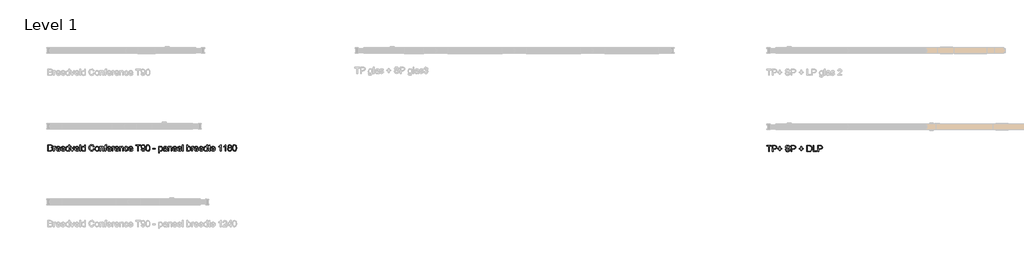
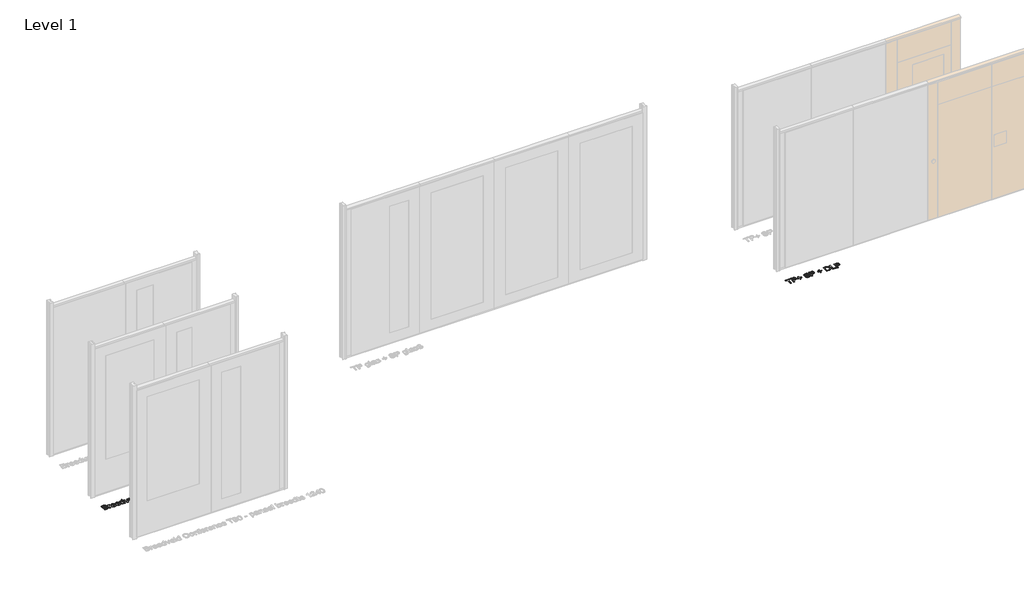
# One storey, part 3 of 17: 2 proxies.
"""IFC4 building model written with IfcOpenShell, lengths in millimetres."""

from ifc_helpers import new_model, si_unit, origin, origin_with_axes, place, context, project, spatial, polyline, outline, extrude, element, save

model = new_model("IFC4")

# Units and contexts
model_context = context("Model", 3, world=origin())
ifc_project = project(units=[si_unit("LENGTHUNIT", "METRE", prefix="MILLI")], contexts=[model_context])

# Site, building, storey
site = spatial("IfcSite", under=ifc_project)
building = spatial("IfcBuilding", under=site)
storey = spatial("IfcBuildingStorey", under=building, Name="Level 1", Elevation=0.0)

# Proxies
placement = place(None, origin())
element("IfcBuildingElementProxy", 1, Name="100 mm", ObjectType="100 mm", at=placement, inside=storey, context=model_context, shape_type="SweptSolid", body=[
    extrude(outline(polyline([(-17380.3580543, -707.0581918), (-17380.3580543, -608.5966533), (-17342.7859389, -608.5966533), (-17324.3844966, -611.4932879), (-17313.519112, -620.3995379), (-17309.5888235, -632.9956918), (-17312.894112, -644.4980956), (-17322.8820927, -653.2120379), (-17310.7546889, -662.3947302), (-17306.5119004, -677.7072302), (-17309.4085351, -690.9404033), (-17316.5840158, -700.3634802), (-17327.2931504, -705.3634802), (-17343.0744004, -707.0581918), (-17380.3580543, -707.0581918)]), holes=[polyline([(-17368.050362, -694.7504995), (-17342.8099774, -694.7504995), (-17333.675362, -694.2697302), (-17325.9469966, -691.5894418), (-17320.8268043, -686.1206918), (-17318.8195927, -677.8274225), (-17321.175362, -668.2601148), (-17328.8075735, -662.5509802), (-17344.0119004, -660.9043456), (-17368.050362, -660.9043456), (-17368.050362, -694.7504995)]), polyline([(-17368.050362, -648.5966533), (-17345.5744004, -648.5966533), (-17332.4494004, -647.538961), (-17324.5527658, -642.9836725), (-17321.8965158, -634.9668456), (-17324.3724774, -626.9379995), (-17331.4638235, -622.1904033), (-17347.2811312, -620.9043456), (-17368.050362, -620.9043456), (-17368.050362, -648.5966533)])]), origin_with_axes(), (0.0, 0.0, 1.0), 5.0),
    extrude(outline(polyline([(-17291.1272851, -707.0581918), (-17291.1272851, -634.7504995), (-17280.3580543, -634.7504995), (-17280.3580543, -645.4476148), (-17272.7138235, -635.5918456), (-17265.0215158, -633.2120379), (-17252.6657466, -637.0101148), (-17256.7763235, -648.0437687), (-17265.4301697, -645.5197302), (-17272.3893043, -647.9476148), (-17276.8244004, -654.6783841), (-17278.8195927, -669.0533841), (-17278.8195927, -707.0581918), (-17291.1272851, -707.0581918)])), origin_with_axes(), (0.0, 0.0, 1.0), 5.0),
    extrude(outline(polyline([(-17194.3484389, -685.5197302), (-17182.2811312, -687.0581918), (-17186.6290879, -696.1507398), (-17193.5671889, -702.9476148), (-17202.9391841, -707.1843937), (-17214.5888235, -708.5966533), (-17229.0299293, -706.1597543), (-17240.1417081, -698.8490571), (-17247.2270447, -687.1393216), (-17249.5888235, -671.5053071), (-17247.2030062, -655.3454514), (-17240.0455543, -643.2601148), (-17229.0840158, -635.7240571), (-17215.2859389, -633.2120379), (-17201.9175495, -635.7180475), (-17191.2354581, -643.2360764), (-17184.2312514, -655.2973745), (-17181.8965158, -671.4331918), (-17181.9686312, -674.7504995), (-17237.2811312, -674.7504995), (-17235.1507226, -683.9632398), (-17230.2018043, -690.7360764), (-17214.3484389, -696.288961), (-17202.2811312, -693.7168456), (-17194.3484389, -685.5197302)]), holes=[polyline([(-17237.2811312, -662.4428071), (-17194.2042081, -662.4428071), (-17199.1320927, -651.288961), (-17206.3075735, -646.9620379), (-17215.3340158, -645.5197302), (-17230.4902658, -650.1230956), (-17237.2811312, -662.4428071)])]), origin_with_axes(), (0.0, 0.0, 1.0), 5.0),
    extrude(outline(polyline([(-17118.9638235, -685.5197302), (-17106.8965158, -687.0581918), (-17111.2444726, -696.1507398), (-17118.1825735, -702.9476148), (-17127.5545687, -707.1843937), (-17139.2042081, -708.5966533), (-17153.6453139, -706.1597543), (-17164.7570927, -698.8490571), (-17171.8424293, -687.1393216), (-17174.2042081, -671.5053071), (-17171.8183908, -655.3454514), (-17164.6609389, -643.2601148), (-17153.6994004, -635.7240571), (-17139.9013235, -633.2120379), (-17126.5329341, -635.7180475), (-17115.8508427, -643.2360764), (-17108.846636, -655.2973745), (-17106.5119004, -671.4331918), (-17106.5840158, -674.7504995), (-17161.8965158, -674.7504995), (-17159.7661072, -683.9632398), (-17154.8171889, -690.7360764), (-17138.9638235, -696.288961), (-17126.8965158, -693.7168456), (-17118.9638235, -685.5197302)]), holes=[polyline([(-17161.8965158, -662.4428071), (-17118.8195927, -662.4428071), (-17123.7474774, -651.288961), (-17130.9229581, -646.9620379), (-17139.9494004, -645.5197302), (-17155.1056504, -650.1230956), (-17161.8965158, -662.4428071)])]), origin_with_axes(), (0.0, 0.0, 1.0), 5.0),
    extrude(outline(polyline([(-17049.5888235, -707.0581918), (-17049.5888235, -695.4476148), (-17057.7318524, -705.3093937), (-17068.987862, -708.5966533), (-17084.2282466, -703.8370379), (-17094.9974774, -690.5557879), (-17098.8195927, -670.976461), (-17095.2979581, -651.3851148), (-17084.7450735, -637.8995379), (-17069.0359389, -633.2120379), (-17057.6897851, -636.5654033), (-17049.5888235, -645.2793456), (-17049.5888235, -608.5966533), (-17037.2811312, -608.5966533), (-17037.2811312, -707.0581918), (-17049.5888235, -707.0581918)]), holes=[polyline([(-17086.5119004, -670.9283841), (-17085.1236793, -682.0611966), (-17080.9590158, -689.9788648), (-17074.9073331, -694.711437), (-17067.8580543, -696.288961), (-17060.8117802, -694.7835523), (-17054.9133427, -690.2673264), (-17050.9199533, -682.6561485), (-17049.5888235, -671.8658841), (-17050.9439918, -660.0690091), (-17055.0094966, -651.8899225), (-17061.0581745, -647.1122783), (-17068.362862, -645.5197302), (-17075.4842562, -647.0491773), (-17081.3195927, -651.6375187), (-17085.2138235, -659.5191293), (-17086.5119004, -670.9283841)])]), origin_with_axes(), (0.0, 0.0, 1.0), 5.0),
    extrude(outline(polyline([(-17001.0792081, -707.0581918), (-17026.5119004, -634.7504995), (-17013.4830543, -634.7504995), (-16998.0744004, -678.0678071), (-16993.4349774, -692.6351148), (-16988.8917081, -678.8851148), (-16973.3869004, -634.7504995), (-16960.3580543, -634.7504995), (-16985.4782466, -707.0581918), (-17001.0792081, -707.0581918)])), origin_with_axes(), (0.0, 0.0, 1.0), 5.0),
    extrude(outline(polyline([(-16898.9638235, -685.5197302), (-16886.8965158, -687.0581918), (-16891.2444726, -696.1507398), (-16898.1825735, -702.9476148), (-16907.5545687, -707.1843937), (-16919.2042081, -708.5966533), (-16933.6453139, -706.1597543), (-16944.7570927, -698.8490571), (-16951.8424293, -687.1393216), (-16954.2042081, -671.5053071), (-16951.8183908, -655.3454514), (-16944.6609389, -643.2601148), (-16933.6994004, -635.7240571), (-16919.9013235, -633.2120379), (-16906.5329341, -635.7180475), (-16895.8508427, -643.2360764), (-16888.846636, -655.2973745), (-16886.5119004, -671.4331918), (-16886.5840158, -674.7504995), (-16941.8965158, -674.7504995), (-16939.7661072, -683.9632398), (-16934.8171889, -690.7360764), (-16918.9638235, -696.288961), (-16906.8965158, -693.7168456), (-16898.9638235, -685.5197302)]), holes=[polyline([(-16941.8965158, -662.4428071), (-16898.8195927, -662.4428071), (-16903.7474774, -651.288961), (-16910.9229581, -646.9620379), (-16919.9494004, -645.5197302), (-16935.1056504, -650.1230956), (-16941.8965158, -662.4428071)])]), origin_with_axes(), (0.0, 0.0, 1.0), 5.0),
    extrude(outline(polyline([(-16874.2042081, -707.0581918), (-16874.2042081, -608.5966533), (-16861.8965158, -608.5966533), (-16861.8965158, -707.0581918), (-16874.2042081, -707.0581918)])), origin_with_axes(), (0.0, 0.0, 1.0), 5.0),
    extrude(outline(polyline([(-16798.8195927, -707.0581918), (-16798.8195927, -695.4476148), (-16806.9626216, -705.3093937), (-16818.2186312, -708.5966533), (-16833.4590158, -703.8370379), (-16844.2282466, -690.5557879), (-16848.050362, -670.976461), (-16844.5287274, -651.3851148), (-16833.9758427, -637.8995379), (-16818.2667081, -633.2120379), (-16806.9205543, -636.5654033), (-16798.8195927, -645.2793456), (-16798.8195927, -608.5966533), (-16786.5119004, -608.5966533), (-16786.5119004, -707.0581918), (-16798.8195927, -707.0581918)]), holes=[polyline([(-16835.7426697, -670.9283841), (-16834.3544485, -682.0611966), (-16830.1897851, -689.9788648), (-16824.1381024, -694.711437), (-16817.0888235, -696.288961), (-16810.0425495, -694.7835523), (-16804.144112, -690.2673264), (-16800.1507226, -682.6561485), (-16798.8195927, -671.8658841), (-16800.174761, -660.0690091), (-16804.2402658, -651.8899225), (-16810.2889437, -647.1122783), (-16817.5936312, -645.5197302), (-16824.7150254, -647.0491773), (-16830.550362, -651.6375187), (-16834.4445927, -659.5191293), (-16835.7426697, -670.9283841)])]), origin_with_axes(), (0.0, 0.0, 1.0), 5.0),
    extrude(outline(polyline([(-16658.8195927, -672.0581918), (-16646.5119004, -675.2312687), (-16652.190987, -689.5732158), (-16661.1032466, -700.0509802), (-16672.8099774, -706.460235), (-16686.8724774, -708.5966533), (-16701.1483187, -706.9800668), (-16712.4854581, -702.1303071), (-16721.175362, -694.2156437), (-16727.5094966, -683.4043456), (-16732.6657466, -657.0822302), (-16731.2084149, -642.7252591), (-16726.8364197, -630.3274225), (-16719.7781264, -620.2823504), (-16710.2619004, -612.9836725), (-16686.6080543, -607.0581918), (-16673.1134629, -608.9752591), (-16661.956612, -614.726461), (-16653.4860591, -623.9572302), (-16648.050362, -636.3129995), (-16660.3580543, -639.2456918), (-16670.4542081, -624.1134802), (-16687.0888235, -619.3658841), (-16706.3436312, -624.6303071), (-16717.2210351, -638.7649225), (-16720.3580543, -657.0581918), (-16716.644112, -678.2601148), (-16705.081612, -691.8057879), (-16688.0984389, -696.288961), (-16677.8250014, -694.7625187), (-16669.2643043, -690.1831918), (-16662.8009629, -682.5990571), (-16658.8195927, -672.0581918)])), origin_with_axes(), (0.0, 0.0, 1.0), 5.0),
    extrude(outline(polyline([(-16634.2042081, -670.9043456), (-16631.5419485, -653.4704514), (-16623.5551697, -641.2168456), (-16613.6873812, -635.2132398), (-16601.8724774, -633.2120379), (-16588.9427899, -635.648937), (-16578.6152658, -642.9596341), (-16571.8454341, -654.5672062), (-16569.5888235, -669.8947302), (-16573.5792081, -691.7937687), (-16585.2018043, -704.1855956), (-16601.8724774, -708.5966533), (-16614.9584149, -706.1687687), (-16625.2739197, -698.8851148), (-16631.971636, -687.0341533), (-16634.2042081, -670.9043456)]), holes=[polyline([(-16621.8965158, -670.8803071), (-16620.472237, -682.0191293), (-16616.1994004, -689.9548264), (-16609.769112, -694.7054273), (-16601.8724774, -696.288961), (-16594.0119004, -694.6964129), (-16587.5936312, -689.9187687), (-16583.3207947, -681.8779033), (-16581.8965158, -670.4956918), (-16583.3298091, -659.6813889), (-16587.6296889, -651.8538648), (-16594.0569726, -647.1032639), (-16601.8724774, -645.5197302), (-16609.769112, -647.0972543), (-16616.1994004, -651.8298264), (-16620.472237, -659.7474946), (-16621.8965158, -670.8803071)])]), origin_with_axes(), (0.0, 0.0, 1.0), 5.0),
    extrude(outline(polyline([(-16555.7426697, -707.0581918), (-16555.7426697, -634.7504995), (-16543.4349774, -634.7504995), (-16543.4349774, -644.8466533), (-16534.0239197, -636.1206918), (-16521.175362, -633.2120379), (-16509.5527658, -635.5557879), (-16501.6200735, -641.7096341), (-16497.9301697, -650.7601148), (-16497.2811312, -662.6591533), (-16497.2811312, -707.0581918), (-16509.5888235, -707.0581918), (-16509.5888235, -664.3178071), (-16511.0070927, -653.4283841), (-16516.019112, -647.6711725), (-16524.4686312, -645.5197302), (-16537.8219966, -650.351461), (-16542.0317322, -657.3526629), (-16543.4349774, -668.6928071), (-16543.4349774, -707.0581918), (-16555.7426697, -707.0581918)])), origin_with_axes(), (0.0, 0.0, 1.0), 5.0),
    extrude(outline(polyline([(-16477.2811312, -707.0581918), (-16477.2811312, -647.0581918), (-16488.050362, -647.0581918), (-16488.050362, -634.7504995), (-16477.2811312, -634.7504995), (-16477.2811312, -627.4668456), (-16475.9830543, -617.2024225), (-16469.6849774, -609.8706918), (-16457.2811312, -607.0581918), (-16446.0551697, -608.4043456), (-16447.8580543, -619.9428071), (-16454.9494004, -619.3658841), (-16462.7018043, -621.4091533), (-16464.9734389, -629.0293456), (-16464.9734389, -634.7504995), (-16451.1272851, -634.7504995), (-16451.1272851, -647.0581918), (-16464.9734389, -647.0581918), (-16464.9734389, -707.0581918), (-16477.2811312, -707.0581918)])), origin_with_axes(), (0.0, 0.0, 1.0), 5.0),
    extrude(outline(polyline([(-16389.7330543, -685.5197302), (-16377.6657466, -687.0581918), (-16382.0137033, -696.1507398), (-16388.9518043, -702.9476148), (-16398.3237995, -707.1843937), (-16409.9734389, -708.5966533), (-16424.4145447, -706.1597543), (-16435.5263235, -698.8490571), (-16442.6116601, -687.1393216), (-16444.9734389, -671.5053071), (-16442.5876216, -655.3454514), (-16435.4301697, -643.2601148), (-16424.4686312, -635.7240571), (-16410.6705543, -633.2120379), (-16397.3021649, -635.7180475), (-16386.6200735, -643.2360764), (-16379.6158668, -655.2973745), (-16377.2811312, -671.4331918), (-16377.3532466, -674.7504995), (-16432.6657466, -674.7504995), (-16430.5353379, -683.9632398), (-16425.5864197, -690.7360764), (-16409.7330543, -696.288961), (-16397.6657466, -693.7168456), (-16389.7330543, -685.5197302)]), holes=[polyline([(-16432.6657466, -662.4428071), (-16389.5888235, -662.4428071), (-16394.5167081, -651.288961), (-16401.6921889, -646.9620379), (-16410.7186312, -645.5197302), (-16425.8748812, -650.1230956), (-16432.6657466, -662.4428071)])]), origin_with_axes(), (0.0, 0.0, 1.0), 5.0),
    extrude(outline(polyline([(-16364.9734389, -707.0581918), (-16364.9734389, -634.7504995), (-16354.2042081, -634.7504995), (-16354.2042081, -645.4476148), (-16346.5599774, -635.5918456), (-16338.8676697, -633.2120379), (-16326.5119004, -637.0101148), (-16330.6224774, -648.0437687), (-16339.2763235, -645.5197302), (-16346.2354581, -647.9476148), (-16350.6705543, -654.6783841), (-16352.6657466, -669.0533841), (-16352.6657466, -707.0581918), (-16364.9734389, -707.0581918)])), origin_with_axes(), (0.0, 0.0, 1.0), 5.0),
    extrude(outline(polyline([(-16268.1945927, -685.5197302), (-16256.1272851, -687.0581918), (-16260.4752418, -696.1507398), (-16267.4133427, -702.9476148), (-16276.7853379, -707.1843937), (-16288.4349774, -708.5966533), (-16302.8760831, -706.1597543), (-16313.987862, -698.8490571), (-16321.0731985, -687.1393216), (-16323.4349774, -671.5053071), (-16321.0491601, -655.3454514), (-16313.8917081, -643.2601148), (-16302.9301697, -635.7240571), (-16289.1320927, -633.2120379), (-16275.7637033, -635.7180475), (-16265.081612, -643.2360764), (-16258.0774052, -655.2973745), (-16255.7426697, -671.4331918), (-16255.8147851, -674.7504995), (-16311.1272851, -674.7504995), (-16308.9968764, -683.9632398), (-16304.0479581, -690.7360764), (-16288.1945927, -696.288961), (-16276.1272851, -693.7168456), (-16268.1945927, -685.5197302)]), holes=[polyline([(-16311.1272851, -662.4428071), (-16268.050362, -662.4428071), (-16272.9782466, -651.288961), (-16280.1537274, -646.9620379), (-16289.1801697, -645.5197302), (-16304.3364197, -650.1230956), (-16311.1272851, -662.4428071)])]), origin_with_axes(), (0.0, 0.0, 1.0), 5.0),
    extrude(outline(polyline([(-16243.4349774, -707.0581918), (-16243.4349774, -634.7504995), (-16231.1272851, -634.7504995), (-16231.1272851, -644.8466533), (-16221.7162274, -636.1206918), (-16208.8676697, -633.2120379), (-16197.2450735, -635.5557879), (-16189.3123812, -641.7096341), (-16185.6224774, -650.7601148), (-16184.9734389, -662.6591533), (-16184.9734389, -707.0581918), (-16197.2811312, -707.0581918), (-16197.2811312, -664.3178071), (-16198.6994004, -653.4283841), (-16203.7114197, -647.6711725), (-16212.1609389, -645.5197302), (-16225.5143043, -650.351461), (-16229.7240399, -657.3526629), (-16231.1272851, -668.6928071), (-16231.1272851, -707.0581918), (-16243.4349774, -707.0581918)])), origin_with_axes(), (0.0, 0.0, 1.0), 5.0),
    extrude(outline(polyline([(-16121.8965158, -680.9043456), (-16109.5888235, -682.4428071), (-16113.0203139, -693.3893216), (-16119.4686312, -701.6615571), (-16128.3268043, -706.8628793), (-16138.987862, -708.5966533), (-16152.0798091, -706.1777831), (-16162.3171889, -698.9211725), (-16168.924761, -687.1453312), (-16171.1272851, -671.1687687), (-16167.3652658, -650.7240571), (-16155.8989197, -637.5870379), (-16139.1561312, -633.2120379), (-16128.7564918, -634.7144418), (-16120.4421889, -639.2216533), (-16114.4776456, -646.4932879), (-16111.1272851, -656.288961), (-16123.4349774, -657.8274225), (-16129.144112, -648.6086725), (-16139.0599774, -645.5197302), (-16147.0137033, -647.0401629), (-16153.3268043, -651.601461), (-16157.4463956, -659.4500187), (-16158.8195927, -670.8322302), (-16157.4764437, -682.367687), (-16153.4469966, -690.2432879), (-16147.2480783, -694.7775427), (-16139.3965158, -696.288961), (-16127.7979581, -692.5149225), (-16121.8965158, -680.9043456)])), origin_with_axes(), (0.0, 0.0, 1.0), 5.0),
    extrude(outline(polyline([(-16048.1945927, -685.5197302), (-16036.1272851, -687.0581918), (-16040.4752418, -696.1507398), (-16047.4133427, -702.9476148), (-16056.7853379, -707.1843937), (-16068.4349774, -708.5966533), (-16082.8760831, -706.1597543), (-16093.987862, -698.8490571), (-16101.0731985, -687.1393216), (-16103.4349774, -671.5053071), (-16101.0491601, -655.3454514), (-16093.8917081, -643.2601148), (-16082.9301697, -635.7240571), (-16069.1320927, -633.2120379), (-16055.7637033, -635.7180475), (-16045.081612, -643.2360764), (-16038.0774052, -655.2973745), (-16035.7426697, -671.4331918), (-16035.8147851, -674.7504995), (-16091.1272851, -674.7504995), (-16088.9968764, -683.9632398), (-16084.0479581, -690.7360764), (-16068.1945927, -696.288961), (-16056.1272851, -693.7168456), (-16048.1945927, -685.5197302)]), holes=[polyline([(-16091.1272851, -662.4428071), (-16048.050362, -662.4428071), (-16052.9782466, -651.288961), (-16060.1537274, -646.9620379), (-16069.1801697, -645.5197302), (-16084.3364197, -650.1230956), (-16091.1272851, -662.4428071)])]), origin_with_axes(), (0.0, 0.0, 1.0), 5.0),
    extrude(outline(polyline([(-15958.8195927, -707.0581918), (-15958.8195927, -620.9043456), (-15991.1272851, -620.9043456), (-15991.1272851, -608.5966533), (-15914.2042081, -608.5966533), (-15914.2042081, -620.9043456), (-15946.5119004, -620.9043456), (-15946.5119004, -707.0581918), (-15958.8195927, -707.0581918)])), origin_with_axes(), (0.0, 0.0, 1.0), 5.0),
    extrude(outline(polyline([(-15903.4349774, -682.4428071), (-15891.1272851, -680.9043456), (-15885.5984389, -692.6471341), (-15875.1176697, -696.288961), (-15865.1537274, -693.945211), (-15858.3989197, -687.6831918), (-15854.3724774, -676.9860764), (-15852.5936312, -662.7072302), (-15852.6657466, -660.3033841), (-15862.5094966, -669.6303071), (-15876.0070927, -673.2120379), (-15887.2300495, -671.0245379), (-15896.5719966, -664.4620379), (-15902.8730783, -654.3238168), (-15904.9734389, -641.4091533), (-15902.7709149, -628.0678071), (-15896.1633427, -617.6110764), (-15886.2384629, -610.8502591), (-15874.0840158, -608.5966533), (-15856.5479581, -613.7408841), (-15844.4806504, -628.4043456), (-15840.3580543, -655.9524225), (-15844.4686312, -685.8442495), (-15856.6921889, -702.7793456), (-15865.4992802, -707.1423264), (-15875.6945927, -708.5966533), (-15886.2174293, -706.8809081), (-15894.612862, -701.7336725), (-15900.4842562, -693.4794658), (-15903.4349774, -682.4428071)]), holes=[polyline([(-15852.6657466, -641.1206918), (-15857.9782466, -626.3610764), (-15872.0888235, -620.9043456), (-15880.3099774, -622.3736966), (-15886.8965158, -626.7817495), (-15891.2234389, -633.5275427), (-15892.6657466, -642.0101148), (-15887.2090158, -655.6519418), (-15872.425362, -660.9043456), (-15858.2306504, -655.6519418), (-15854.0569726, -649.3929273), (-15852.6657466, -641.1206918)])]), origin_with_axes(), (0.0, 0.0, 1.0), 5.0),
    extrude(outline(polyline([(-15829.5888235, -658.6206918), (-15825.9710351, -630.2913648), (-15815.2258427, -613.9572302), (-15797.2811312, -608.5966533), (-15782.9061312, -611.7697302), (-15772.9782466, -620.9163648), (-15767.2090158, -635.4836725), (-15764.9734389, -658.6206918), (-15768.5551697, -686.8298264), (-15779.2643043, -703.2000187), (-15797.2811312, -708.5966533), (-15810.0695927, -706.2529033), (-15819.7811312, -699.2216533), (-15827.1369004, -682.5690091), (-15829.5888235, -658.6206918)]), holes=[polyline([(-15817.2811312, -658.5966533), (-15815.8388235, -677.9566293), (-15811.5119004, -689.1615571), (-15805.0695927, -694.50711), (-15797.2811312, -696.288961), (-15789.4926697, -694.5011004), (-15783.050362, -689.1375187), (-15778.7234389, -677.9265812), (-15777.2811312, -658.5966533), (-15778.675362, -639.6723745), (-15782.8580543, -628.3803071), (-15789.2883427, -622.773336), (-15797.425362, -620.9043456), (-15805.1296889, -622.5509802), (-15811.3195927, -627.4908841), (-15815.7907466, -639.4860764), (-15817.2811312, -658.5966533)])]), origin_with_axes(), (0.0, 0.0, 1.0), 5.0),
    extrude(outline(polyline([(-15718.8195927, -677.8274225), (-15718.8195927, -665.5197302), (-15680.3580543, -665.5197302), (-15680.3580543, -677.8274225), (-15718.8195927, -677.8274225)])), origin_with_axes(), (0.0, 0.0, 1.0), 5.0),
    extrude(outline(polyline([(-15628.050362, -734.7504995), (-15628.050362, -634.7504995), (-15615.7426697, -634.7504995), (-15615.7426697, -646.8178071), (-15607.2330543, -636.6134802), (-15595.7426697, -633.2120379), (-15580.1417081, -637.9716533), (-15569.9494004, -651.3851148), (-15566.5119004, -670.351461), (-15570.394112, -690.2913648), (-15581.6681504, -703.8730956), (-15597.2330543, -708.5966533), (-15607.9421889, -705.4355956), (-15615.7426697, -697.4428071), (-15615.7426697, -734.7504995), (-15628.050362, -734.7504995)]), holes=[polyline([(-15615.7426697, -671.4812687), (-15614.4115399, -682.5149225), (-15610.4181504, -690.2312687), (-15604.5257226, -694.7745379), (-15597.4974774, -696.288961), (-15590.3550495, -694.7204514), (-15584.3123812, -690.0149225), (-15580.1927899, -682.0161245), (-15578.8195927, -670.5678071), (-15580.159737, -659.5942495), (-15584.1801697, -651.7697302), (-15590.0635831, -647.0822302), (-15596.9926697, -645.5197302), (-15603.9487995, -647.1813889), (-15610.0575735, -652.1663648), (-15614.3213956, -660.3184081), (-15615.7426697, -671.4812687)])]), origin_with_axes(), (0.0, 0.0, 1.0), 5.0),
    extrude(outline(polyline([(-15506.5119004, -697.8274225), (-15518.4469966, -706.1687687), (-15531.6320927, -708.5966533), (-15541.9175495, -707.1363168), (-15549.5046889, -702.7553071), (-15554.1831745, -696.1026629), (-15555.7426697, -687.8274225), (-15553.3869004, -678.0918456), (-15547.1969966, -671.0245379), (-15538.5792081, -666.9860764), (-15527.9301697, -665.1351148), (-15506.5840158, -660.9043456), (-15506.5119004, -658.163961), (-15509.9013235, -649.0774225), (-15523.5070927, -645.5197302), (-15535.9590158, -647.8875187), (-15541.8965158, -656.288961), (-15554.2042081, -654.7504995), (-15548.8796889, -642.7312687), (-15538.1585351, -635.6879995), (-15521.9205543, -633.2120379), (-15507.0046889, -635.3995379), (-15498.5792081, -640.8923264), (-15494.8051697, -649.2456918), (-15494.2042081, -660.0149225), (-15494.2042081, -675.3274225), (-15493.5792081, -696.7096341), (-15491.1272851, -707.0581918), (-15503.4349774, -707.0581918), (-15506.5119004, -697.8274225)]), holes=[polyline([(-15506.5119004, -673.2120379), (-15526.3676697, -676.9860764), (-15536.956612, -678.9812687), (-15541.7522851, -682.226461), (-15543.4349774, -686.9620379), (-15539.769112, -693.6206918), (-15529.0119004, -696.288961), (-15516.5599774, -693.3442495), (-15508.5311312, -686.2168456), (-15506.5840158, -676.6976148), (-15506.5119004, -673.2120379)])]), origin_with_axes(), (0.0, 0.0, 1.0), 5.0),
    extrude(outline(polyline([(-15477.2811312, -707.0581918), (-15477.2811312, -634.7504995), (-15464.9734389, -634.7504995), (-15464.9734389, -644.8466533), (-15455.5623812, -636.1206918), (-15442.7138235, -633.2120379), (-15431.0912274, -635.5557879), (-15423.1585351, -641.7096341), (-15419.4686312, -650.7601148), (-15418.8195927, -662.6591533), (-15418.8195927, -707.0581918), (-15431.1272851, -707.0581918), (-15431.1272851, -664.3178071), (-15432.5455543, -653.4283841), (-15437.5575735, -647.6711725), (-15446.0070927, -645.5197302), (-15459.3604581, -650.351461), (-15463.5701937, -657.3526629), (-15464.9734389, -668.6928071), (-15464.9734389, -707.0581918), (-15477.2811312, -707.0581918)])), origin_with_axes(), (0.0, 0.0, 1.0), 5.0),
    extrude(outline(polyline([(-15351.2715158, -685.5197302), (-15339.2042081, -687.0581918), (-15343.5521649, -696.1507398), (-15350.4902658, -702.9476148), (-15359.862261, -707.1843937), (-15371.5119004, -708.5966533), (-15385.9530062, -706.1597543), (-15397.0647851, -698.8490571), (-15404.1501216, -687.1393216), (-15406.5119004, -671.5053071), (-15404.1260831, -655.3454514), (-15396.9686312, -643.2601148), (-15386.0070927, -635.7240571), (-15372.2090158, -633.2120379), (-15358.8406264, -635.7180475), (-15348.1585351, -643.2360764), (-15341.1543283, -655.2973745), (-15338.8195927, -671.4331918), (-15338.8917081, -674.7504995), (-15394.2042081, -674.7504995), (-15392.0737995, -683.9632398), (-15387.1248812, -690.7360764), (-15371.2715158, -696.288961), (-15359.2042081, -693.7168456), (-15351.2715158, -685.5197302)]), holes=[polyline([(-15394.2042081, -662.4428071), (-15351.1272851, -662.4428071), (-15356.0551697, -651.288961), (-15363.2306504, -646.9620379), (-15372.2570927, -645.5197302), (-15387.4133427, -650.1230956), (-15394.2042081, -662.4428071)])]), origin_with_axes(), (0.0, 0.0, 1.0), 5.0),
    extrude(outline(polyline([(-15275.8869004, -685.5197302), (-15263.8195927, -687.0581918), (-15268.1675495, -696.1507398), (-15275.1056504, -702.9476148), (-15284.4776456, -707.1843937), (-15296.1272851, -708.5966533), (-15310.5683908, -706.1597543), (-15321.6801697, -698.8490571), (-15328.7655062, -687.1393216), (-15331.1272851, -671.5053071), (-15328.7414677, -655.3454514), (-15321.5840158, -643.2601148), (-15310.6224774, -635.7240571), (-15296.8244004, -633.2120379), (-15283.456011, -635.7180475), (-15272.7739197, -643.2360764), (-15265.7697129, -655.2973745), (-15263.4349774, -671.4331918), (-15263.5070927, -674.7504995), (-15318.8195927, -674.7504995), (-15316.6891841, -683.9632398), (-15311.7402658, -690.7360764), (-15295.8869004, -696.288961), (-15283.8195927, -693.7168456), (-15275.8869004, -685.5197302)]), holes=[polyline([(-15318.8195927, -662.4428071), (-15275.7426697, -662.4428071), (-15280.6705543, -651.288961), (-15287.8460351, -646.9620379), (-15296.8724774, -645.5197302), (-15312.0287274, -650.1230956), (-15318.8195927, -662.4428071)])]), origin_with_axes(), (0.0, 0.0, 1.0), 5.0),
    extrude(outline(polyline([(-15251.1272851, -707.0581918), (-15251.1272851, -608.5966533), (-15238.8195927, -608.5966533), (-15238.8195927, -707.0581918), (-15251.1272851, -707.0581918)])), origin_with_axes(), (0.0, 0.0, 1.0), 5.0),
    extrude(outline(polyline([(-15169.5888235, -707.0581918), (-15181.8965158, -707.0581918), (-15181.8965158, -608.5966533), (-15169.5888235, -608.5966533), (-15169.5888235, -645.1110764), (-15160.9710351, -636.1867975), (-15150.2619004, -633.2120379), (-15137.9301697, -635.8923264), (-15128.362862, -643.4283841), (-15122.4854581, -655.1471341), (-15120.3580543, -669.8226148), (-15122.5605783, -686.2529033), (-15129.1681504, -698.476461), (-15138.8646649, -706.0666052), (-15150.3340158, -708.5966533), (-15161.2775254, -705.3334321), (-15169.5888235, -695.5437687), (-15169.5888235, -707.0581918)]), holes=[polyline([(-15169.5888235, -670.3995379), (-15166.2234389, -687.6110764), (-15159.7751216, -694.1194898), (-15151.3917081, -696.288961), (-15144.2883427, -694.6904033), (-15138.2186312, -689.8947302), (-15134.0539677, -681.9319898), (-15132.6657466, -670.8322302), (-15133.9968764, -659.570211), (-15137.9902658, -651.6976148), (-15143.8706745, -647.0642014), (-15150.862862, -645.5197302), (-15157.9662274, -647.1182879), (-15164.0359389, -651.913961), (-15168.2006024, -659.7324706), (-15169.5888235, -670.3995379)])]), origin_with_axes(), (0.0, 0.0, 1.0), 5.0),
    extrude(outline(polyline([(-15106.5119004, -707.0581918), (-15106.5119004, -634.7504995), (-15095.7426697, -634.7504995), (-15095.7426697, -645.4476148), (-15088.0984389, -635.5918456), (-15080.4061312, -633.2120379), (-15068.050362, -637.0101148), (-15072.1609389, -648.0437687), (-15080.8147851, -645.5197302), (-15087.7739197, -647.9476148), (-15092.2090158, -654.6783841), (-15094.2042081, -669.0533841), (-15094.2042081, -707.0581918), (-15106.5119004, -707.0581918)])), origin_with_axes(), (0.0, 0.0, 1.0), 5.0),
    extrude(outline(polyline([(-15009.7330543, -685.5197302), (-14997.6657466, -687.0581918), (-15002.0137033, -696.1507398), (-15008.9518043, -702.9476148), (-15018.3237995, -707.1843937), (-15029.9734389, -708.5966533), (-15044.4145447, -706.1597543), (-15055.5263235, -698.8490571), (-15062.6116601, -687.1393216), (-15064.9734389, -671.5053071), (-15062.5876216, -655.3454514), (-15055.4301697, -643.2601148), (-15044.4686312, -635.7240571), (-15030.6705543, -633.2120379), (-15017.3021649, -635.7180475), (-15006.6200735, -643.2360764), (-14999.6158668, -655.2973745), (-14997.2811312, -671.4331918), (-14997.3532466, -674.7504995), (-15052.6657466, -674.7504995), (-15050.5353379, -683.9632398), (-15045.5864197, -690.7360764), (-15029.7330543, -696.288961), (-15017.6657466, -693.7168456), (-15009.7330543, -685.5197302)]), holes=[polyline([(-15052.6657466, -662.4428071), (-15009.5888235, -662.4428071), (-15014.5167081, -651.288961), (-15021.6921889, -646.9620379), (-15030.7186312, -645.5197302), (-15045.8748812, -650.1230956), (-15052.6657466, -662.4428071)])]), origin_with_axes(), (0.0, 0.0, 1.0), 5.0),
    extrude(outline(polyline([(-14934.3484389, -685.5197302), (-14922.2811312, -687.0581918), (-14926.6290879, -696.1507398), (-14933.5671889, -702.9476148), (-14942.9391841, -707.1843937), (-14954.5888235, -708.5966533), (-14969.0299293, -706.1597543), (-14980.1417081, -698.8490571), (-14987.2270447, -687.1393216), (-14989.5888235, -671.5053071), (-14987.2030062, -655.3454514), (-14980.0455543, -643.2601148), (-14969.0840158, -635.7240571), (-14955.2859389, -633.2120379), (-14941.9175495, -635.7180475), (-14931.2354581, -643.2360764), (-14924.2312514, -655.2973745), (-14921.8965158, -671.4331918), (-14921.9686312, -674.7504995), (-14977.2811312, -674.7504995), (-14975.1507226, -683.9632398), (-14970.2018043, -690.7360764), (-14954.3484389, -696.288961), (-14942.2811312, -693.7168456), (-14934.3484389, -685.5197302)]), holes=[polyline([(-14977.2811312, -662.4428071), (-14934.2042081, -662.4428071), (-14939.1320927, -651.288961), (-14946.3075735, -646.9620379), (-14955.3340158, -645.5197302), (-14970.4902658, -650.1230956), (-14977.2811312, -662.4428071)])]), origin_with_axes(), (0.0, 0.0, 1.0), 5.0),
    extrude(outline(polyline([(-14864.9734389, -707.0581918), (-14864.9734389, -695.4476148), (-14873.1164677, -705.3093937), (-14884.3724774, -708.5966533), (-14899.612862, -703.8370379), (-14910.3820927, -690.5557879), (-14914.2042081, -670.976461), (-14910.6825735, -651.3851148), (-14900.1296889, -637.8995379), (-14884.4205543, -633.2120379), (-14873.0744004, -636.5654033), (-14864.9734389, -645.2793456), (-14864.9734389, -608.5966533), (-14852.6657466, -608.5966533), (-14852.6657466, -707.0581918), (-14864.9734389, -707.0581918)]), holes=[polyline([(-14901.8965158, -670.9283841), (-14900.5082947, -682.0611966), (-14896.3436312, -689.9788648), (-14890.2919485, -694.711437), (-14883.2426697, -696.288961), (-14876.1963956, -694.7835523), (-14870.2979581, -690.2673264), (-14866.3045687, -682.6561485), (-14864.9734389, -671.8658841), (-14866.3286072, -660.0690091), (-14870.394112, -651.8899225), (-14876.4427899, -647.1122783), (-14883.7474774, -645.5197302), (-14890.8688716, -647.0491773), (-14896.7042081, -651.6375187), (-14900.5984389, -659.5191293), (-14901.8965158, -670.9283841)])]), origin_with_axes(), (0.0, 0.0, 1.0), 5.0),
    extrude(outline(polyline([(-14808.050362, -696.7937687), (-14806.5119004, -707.4187687), (-14815.7186312, -708.5966533), (-14826.0311312, -706.5533841), (-14831.175362, -701.1928071), (-14832.6657466, -687.226461), (-14832.6657466, -647.0581918), (-14841.8965158, -647.0581918), (-14841.8965158, -634.7504995), (-14832.6657466, -634.7504995), (-14832.6657466, -617.1783841), (-14820.3580543, -609.9428071), (-14820.3580543, -634.7504995), (-14808.050362, -634.7504995), (-14808.050362, -647.0581918), (-14820.3580543, -647.0581918), (-14820.3580543, -686.8658841), (-14819.7090158, -693.2120379), (-14817.6056504, -695.4596341), (-14813.4109389, -696.288961), (-14808.050362, -696.7937687)])), origin_with_axes(), (0.0, 0.0, 1.0), 5.0),
    extrude(outline(polyline([(-14745.1176697, -685.5197302), (-14733.050362, -687.0581918), (-14737.3983187, -696.1507398), (-14744.3364197, -702.9476148), (-14753.7084149, -707.1843937), (-14765.3580543, -708.5966533), (-14779.7991601, -706.1597543), (-14790.9109389, -698.8490571), (-14797.9962754, -687.1393216), (-14800.3580543, -671.5053071), (-14797.972237, -655.3454514), (-14790.8147851, -643.2601148), (-14779.8532466, -635.7240571), (-14766.0551697, -633.2120379), (-14752.6867802, -635.7180475), (-14742.0046889, -643.2360764), (-14735.0004822, -655.2973745), (-14732.6657466, -671.4331918), (-14732.737862, -674.7504995), (-14788.050362, -674.7504995), (-14785.9199533, -683.9632398), (-14780.9710351, -690.7360764), (-14765.1176697, -696.288961), (-14753.050362, -693.7168456), (-14745.1176697, -685.5197302)]), holes=[polyline([(-14788.050362, -662.4428071), (-14744.9734389, -662.4428071), (-14749.9013235, -651.288961), (-14757.0768043, -646.9620379), (-14766.1032466, -645.5197302), (-14781.2594966, -650.1230956), (-14788.050362, -662.4428071)])]), origin_with_axes(), (0.0, 0.0, 1.0), 5.0),
    extrude(outline(polyline([(-14638.8195927, -707.0581918), (-14651.1272851, -707.0581918), (-14651.1272851, -630.3274225), (-14662.7859389, -638.632711), (-14675.7426697, -644.8466533), (-14675.7426697, -633.2120379), (-14657.7018043, -621.6976148), (-14646.7522851, -608.5966533), (-14638.8195927, -608.5966533), (-14638.8195927, -707.0581918)])), origin_with_axes(), (0.0, 0.0, 1.0), 5.0),
    extrude(outline(polyline([(-14563.4349774, -707.0581918), (-14575.7426697, -707.0581918), (-14575.7426697, -630.3274225), (-14587.4013235, -638.632711), (-14600.3580543, -644.8466533), (-14600.3580543, -633.2120379), (-14582.3171889, -621.6976148), (-14571.3676697, -608.5966533), (-14563.4349774, -608.5966533), (-14563.4349774, -707.0581918)])), origin_with_axes(), (0.0, 0.0, 1.0), 5.0),
    extrude(outline(polyline([(-14516.2715158, -652.8274225), (-14527.4854581, -645.1831918), (-14531.1272851, -633.2841533), (-14529.144112, -623.6627591), (-14523.1945927, -615.7120379), (-14513.9457947, -610.3754995), (-14502.0647851, -608.5966533), (-14490.1116601, -610.4175668), (-14480.7426697, -615.8803071), (-14474.6849774, -623.9572302), (-14472.6657466, -633.6206918), (-14476.2594966, -645.2192495), (-14487.1609389, -652.8274225), (-14474.0719966, -662.4788648), (-14469.5888235, -678.4043456), (-14471.8123812, -690.1711725), (-14478.4830543, -699.8947302), (-14488.7835351, -706.4211725), (-14501.8965158, -708.5966533), (-14515.0094966, -706.4121581), (-14525.3099774, -699.8586725), (-14531.9806504, -690.0419658), (-14534.2042081, -678.0678071), (-14529.5407466, -661.7697302), (-14516.2715158, -652.8274225)]), holes=[polyline([(-14518.8195927, -633.6447302), (-14514.456612, -643.3081918), (-14501.7522851, -647.0581918), (-14489.300362, -643.3322302), (-14484.9734389, -634.1976148), (-14489.4445927, -624.7384802), (-14501.8965158, -620.9043456), (-14514.3844966, -624.6543456), (-14518.8195927, -633.6447302)]), polyline([(-14521.8965158, -677.6351148), (-14519.8412274, -686.9019418), (-14512.5695927, -693.8370379), (-14501.800362, -696.288961), (-14487.1369004, -691.132711), (-14481.8965158, -678.0197302), (-14487.3051697, -664.6543456), (-14493.7354581, -660.6879995), (-14502.2090158, -659.3658841), (-14516.6921889, -664.5822302), (-14521.8965158, -677.6351148)])]), origin_with_axes(), (0.0, 0.0, 1.0), 5.0),
    extrude(outline(polyline([(-14458.8195927, -658.6206918), (-14455.2018043, -630.2913648), (-14444.456612, -613.9572302), (-14426.5119004, -608.5966533), (-14412.1369004, -611.7697302), (-14402.2090158, -620.9163648), (-14396.4397851, -635.4836725), (-14394.2042081, -658.6206918), (-14397.7859389, -686.8298264), (-14408.4950735, -703.2000187), (-14426.5119004, -708.5966533), (-14439.300362, -706.2529033), (-14449.0119004, -699.2216533), (-14456.3676697, -682.5690091), (-14458.8195927, -658.6206918)]), holes=[polyline([(-14446.5119004, -658.5966533), (-14445.0695927, -677.9566293), (-14440.7426697, -689.1615571), (-14434.300362, -694.50711), (-14426.5119004, -696.288961), (-14418.7234389, -694.5011004), (-14412.2811312, -689.1375187), (-14407.9542081, -677.9265812), (-14406.5119004, -658.5966533), (-14407.9061312, -639.6723745), (-14412.0888235, -628.3803071), (-14418.519112, -622.773336), (-14426.6561312, -620.9043456), (-14434.3604581, -622.5509802), (-14440.550362, -627.4908841), (-14445.0215158, -639.4860764), (-14446.5119004, -658.5966533)])]), origin_with_axes(), (0.0, 0.0, 1.0), 5.0),
])
element("IfcBuildingElementProxy", 2, Name="100 mm", ObjectType="100 mm", at=placement, inside=storey, context=model_context, shape_type="SweptSolid", body=[
    extrude(outline(polyline([(-5974.5064356, -717.0897831), (-5974.5064356, -630.9359369), (-6006.8141279, -630.9359369), (-6006.8141279, -618.6282446), (-5929.891051, -618.6282446), (-5929.891051, -630.9359369), (-5962.1987433, -630.9359369), (-5962.1987433, -717.0897831), (-5974.5064356, -717.0897831)])), origin_with_axes(), (0.0, 0.0, 1.0), 5.0),
    extrude(outline(polyline([(-5916.0448971, -717.0897831), (-5916.0448971, -618.6282446), (-5879.5545125, -618.6282446), (-5864.842974, -619.5657446), (-5852.8838394, -624.16911), (-5845.1314356, -633.6883408), (-5842.1987433, -647.1138216), (-5844.1789115, -658.7183889), (-5850.1194164, -668.38786), (-5861.2281904, -674.9143023), (-5878.7131664, -677.0897831), (-5903.7372048, -677.0897831), (-5903.7372048, -717.0897831), (-5916.0448971, -717.0897831)]), holes=[polyline([(-5903.7372048, -664.7820908), (-5877.9920125, -664.7820908), (-5859.8670125, -660.26286), (-5855.8465798, -654.8241581), (-5854.5064356, -647.5465139), (-5857.6674933, -637.3542062), (-5865.9727817, -631.7772831), (-5878.280474, -630.9359369), (-5903.7372048, -630.9359369), (-5903.7372048, -664.7820908)])]), origin_with_axes(), (0.0, 0.0, 1.0), 5.0),
    extrude(outline(polyline([(-5802.1987433, -701.7051677), (-5802.1987433, -675.5513216), (-5828.3525894, -675.5513216), (-5828.3525894, -663.2436293), (-5802.1987433, -663.2436293), (-5802.1987433, -637.0897831), (-5789.891051, -637.0897831), (-5789.891051, -663.2436293), (-5763.7372048, -663.2436293), (-5763.7372048, -675.5513216), (-5789.891051, -675.5513216), (-5789.891051, -701.7051677), (-5802.1987433, -701.7051677)])), origin_with_axes(), (0.0, 0.0, 1.0), 5.0),
    extrude(outline(polyline([(-5711.4295125, -683.2436293), (-5699.1218202, -683.2436293), (-5695.155474, -695.5633408), (-5685.467974, -703.3518023), (-5670.7083587, -706.3205523), (-5657.8477817, -704.0729562), (-5649.5424933, -697.8950716), (-5646.8141279, -689.63786), (-5648.8573971, -681.9575716), (-5657.2227817, -676.3686293), (-5675.1434548, -671.66911), (-5694.4343202, -665.5993985), (-5704.9030702, -656.4407446), (-5708.3525894, -644.2051677), (-5704.0857625, -630.2748793), (-5691.6218202, -620.4431485), (-5673.3766279, -617.0897831), (-5653.905474, -620.5993985), (-5640.9247048, -630.9118985), (-5636.0448971, -646.3205523), (-5648.3525894, -646.3205523), (-5655.3237433, -633.6763216), (-5672.8958587, -629.3974754), (-5690.516051, -633.6282446), (-5696.0448971, -643.8445908), (-5692.1266279, -652.3782446), (-5672.030474, -659.2532446), (-5650.2516279, -665.4311293), (-5638.3405702, -675.4070908), (-5634.5064356, -689.32536), (-5638.9174933, -704.0489177), (-5651.609801, -714.79411), (-5670.2275894, -718.6282446), (-5692.2107625, -714.4936293), (-5706.1170125, -702.0417062), (-5711.4295125, -683.2436293)])), origin_with_axes(), (0.0, 0.0, 1.0), 5.0),
    extrude(outline(polyline([(-5616.0448971, -717.0897831), (-5616.0448971, -618.6282446), (-5579.5545125, -618.6282446), (-5564.842974, -619.5657446), (-5552.8838394, -624.16911), (-5545.1314356, -633.6883408), (-5542.1987433, -647.1138216), (-5544.1789115, -658.7183889), (-5550.1194164, -668.38786), (-5561.2281904, -674.9143023), (-5578.7131664, -677.0897831), (-5603.7372048, -677.0897831), (-5603.7372048, -717.0897831), (-5616.0448971, -717.0897831)]), holes=[polyline([(-5603.7372048, -664.7820908), (-5577.9920125, -664.7820908), (-5559.8670125, -660.26286), (-5555.8465798, -654.8241581), (-5554.5064356, -647.5465139), (-5557.6674933, -637.3542062), (-5565.9727817, -631.7772831), (-5578.280474, -630.9359369), (-5603.7372048, -630.9359369), (-5603.7372048, -664.7820908)])]), origin_with_axes(), (0.0, 0.0, 1.0), 5.0),
    extrude(outline(polyline([(-5463.7372048, -701.7051677), (-5463.7372048, -675.5513216), (-5489.891051, -675.5513216), (-5489.891051, -663.2436293), (-5463.7372048, -663.2436293), (-5463.7372048, -637.0897831), (-5451.4295125, -637.0897831), (-5451.4295125, -663.2436293), (-5425.2756664, -663.2436293), (-5425.2756664, -675.5513216), (-5451.4295125, -675.5513216), (-5451.4295125, -701.7051677), (-5463.7372048, -701.7051677)])), origin_with_axes(), (0.0, 0.0, 1.0), 5.0),
    extrude(outline(polyline([(-5368.3525894, -717.0897831), (-5368.3525894, -618.6282446), (-5334.3862433, -618.6282446), (-5316.8141279, -620.0465139), (-5302.342974, -627.0897831), (-5290.6843202, -643.9167062), (-5286.8141279, -667.3301677), (-5289.4343202, -687.1979562), (-5296.1650894, -701.5368985), (-5305.155474, -710.4671869), (-5316.922301, -715.4070908), (-5332.7516279, -717.0897831), (-5368.3525894, -717.0897831)]), holes=[polyline([(-5356.0448971, -704.7820908), (-5334.266051, -704.7820908), (-5318.4247048, -703.0032446), (-5309.2900894, -697.9792062), (-5301.8021087, -685.7556485), (-5299.1218202, -667.13786), (-5300.4349212, -653.7243985), (-5304.374224, -643.8205523), (-5317.1506664, -632.9070908), (-5334.6025894, -630.9359369), (-5356.0448971, -630.9359369), (-5356.0448971, -704.7820908)])]), origin_with_axes(), (0.0, 0.0, 1.0), 5.0),
    extrude(outline(polyline([(-5269.891051, -717.0897831), (-5269.891051, -618.6282446), (-5257.5833587, -618.6282446), (-5257.5833587, -704.7820908), (-5208.3525894, -704.7820908), (-5208.3525894, -717.0897831), (-5269.891051, -717.0897831)])), origin_with_axes(), (0.0, 0.0, 1.0), 5.0),
    extrude(outline(polyline([(-5194.5064356, -717.0897831), (-5194.5064356, -618.6282446), (-5158.016051, -618.6282446), (-5143.3045125, -619.5657446), (-5131.3453779, -624.16911), (-5123.592974, -633.6883408), (-5120.6602817, -647.1138216), (-5122.64045, -658.7183889), (-5128.5809548, -668.38786), (-5139.6897289, -674.9143023), (-5157.1747048, -677.0897831), (-5182.1987433, -677.0897831), (-5182.1987433, -717.0897831), (-5194.5064356, -717.0897831)]), holes=[polyline([(-5182.1987433, -664.7820908), (-5156.453551, -664.7820908), (-5138.328551, -660.26286), (-5134.3081183, -654.8241581), (-5132.967974, -647.5465139), (-5136.1290317, -637.3542062), (-5144.4343202, -631.7772831), (-5156.7420125, -630.9359369), (-5182.1987433, -630.9359369), (-5182.1987433, -664.7820908)])]), origin_with_axes(), (0.0, 0.0, 1.0), 5.0),
])

save(model, "model.ifc")
